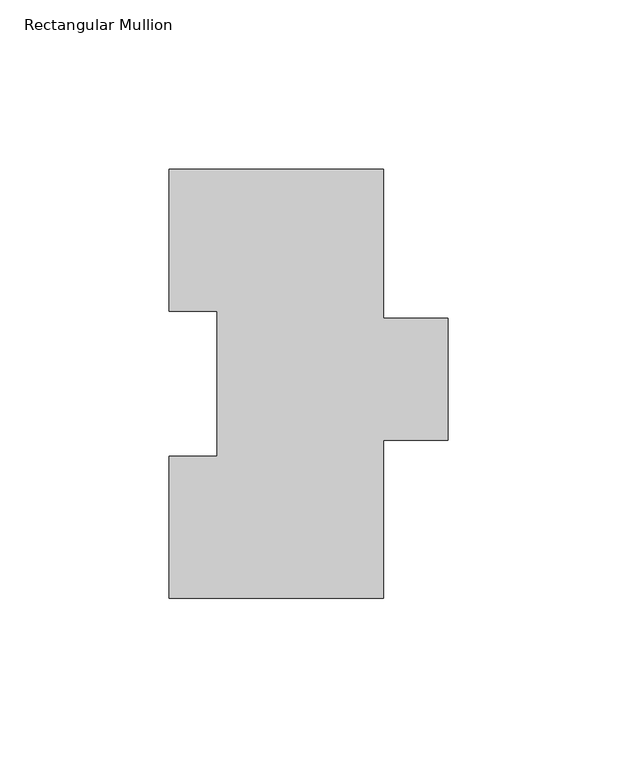
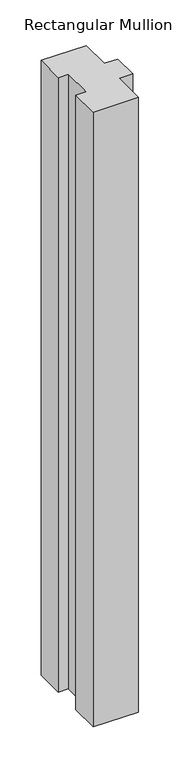
"""IFC4 building model written with IfcOpenShell, lengths in millimetres: member geometry, Rectangular Mullion."""

from ifc_helpers import new_model, si_unit, frame, origin, place, context, project, spatial, polyline, outline, extrude, source, transform, mapped, element, save


def rectangular_mullion_aef8e092(model_context):
    return source(origin(), model_context, "Body", "SweptSolid", [
        extrude(outline(polyline([(31.75, 127.00635), (31.75, 82.9313681), (50.8002713, 82.9313681), (50.8002713, 46.8376), (31.75, 46.8376), (31.75, 0.00635), (-31.7497287, 0.00635), (-31.7497287, 42.08145), (-17.4622287, 42.08145), (-17.4622287, 84.93125), (-31.7502713, 84.93125), (-31.7502713, 127.00635), (31.75, 127.00635)])), frame((0.0, 0.0, -914.4), z_axis=(0.0, 0.0, 1.0), x_axis=(1.0, 0.0, 0.0)), (0.0, 0.0, 1.0), 914.4),
    ])


if __name__ == "__main__":
    model = new_model("IFC4")
    model_context = context("Model", 3, world=origin())
    ifc_project = project(units=[si_unit("LENGTHUNIT", "METRE", prefix="MILLI")], contexts=[model_context])
    site = spatial("IfcSite", under=ifc_project)
    building = spatial("IfcBuilding", under=site)
    placement = place(None, origin())
    rectangular_mullion_shape = rectangular_mullion_aef8e092(model_context)
    element("IfcMember", 1, ObjectType="Rectangular Mullion", at=placement, inside=building, context=model_context, shape_type="MappedRepresentation", body=[
        mapped(rectangular_mullion_shape, transform((0.0, 0.0, 0.0), x_axis=(1.0, 0.0, 0.0), y_axis=(0.0, 1.0, 0.0), z_axis=(0.0, 0.0, 1.0))),
    ])
    save(model, "model.ifc")
